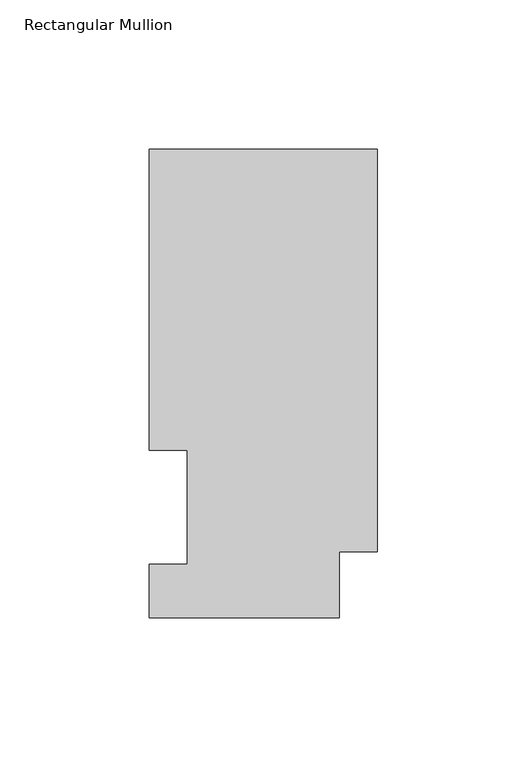
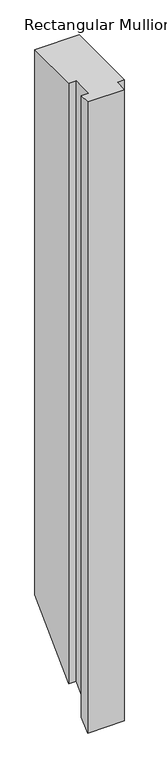
"""IFC4 building model written with IfcOpenShell, lengths in millimetres: member geometry, Rectangular Mullion."""

from ifc_helpers import new_model, si_unit, origin, place, context, project, spatial, faceted_brep, source, transform, mapped, element, save


def rectangular_mullion_14697c69(model_context):
    return source(origin(), model_context, "Body", "Brep", [
        faceted_brep([(0.0, 157.3397822, 0.0), (-76.2, 157.3397822, 0.0), (-76.2, 56.6539062, 0.0), (-63.5762, 56.6539063, 0.0), (-63.5762, 18.5539062, 0.0), (-76.2, 18.5539062, 0.0), (-76.2, 0.5199062, 0.0), (-12.7, 0.5199062, 0.0), (-12.7, 22.6195299, 0.0), (0.0, 22.6195299, 0.0), (0.0, 157.3397822, -991.4253347), (-76.2, 157.3397822, -991.4253347), (-76.2, 56.6539062, -1092.1112107), (-63.5762, 56.6539063, -1092.1112107), (-63.5762, 18.5539062, -1130.2112107), (-76.2, 18.5539062, -1130.2112107), (-76.2, 0.5199062, -1148.2452107), (-12.7, 0.5199062, -1148.2452107), (-12.7, 22.6195299, -1126.145587), (0.0, 22.6195299, -1126.145587)], [[[0, 1, 2, 3, 4, 5, 6, 7, 8, 9]], [[1, 0, 10, 11]], [[2, 1, 11, 12]], [[3, 2, 12, 13]], [[4, 3, 13, 14]], [[5, 4, 14, 15]], [[6, 5, 15, 16]], [[7, 6, 16, 17]], [[8, 7, 17, 18]], [[9, 8, 18, 19]], [[0, 9, 19, 10]], [[10, 19, 18, 17, 16, 15, 14, 13, 12, 11]]]),
    ])


if __name__ == "__main__":
    model = new_model("IFC4")
    model_context = context("Model", 3, world=origin())
    ifc_project = project(units=[si_unit("LENGTHUNIT", "METRE", prefix="MILLI")], contexts=[model_context])
    site = spatial("IfcSite", under=ifc_project)
    building = spatial("IfcBuilding", under=site)
    placement = place(None, origin())
    rectangular_mullion_shape = rectangular_mullion_14697c69(model_context)
    element("IfcMember", 1, ObjectType="Rectangular Mullion", at=placement, inside=building, context=model_context, shape_type="MappedRepresentation", body=[
        mapped(rectangular_mullion_shape, transform((0.0, 0.0, 0.0), x_axis=(1.0, 0.0, 0.0), y_axis=(0.0, 1.0, 0.0), z_axis=(0.0, 0.0, 1.0))),
    ])
    save(model, "model.ifc")
